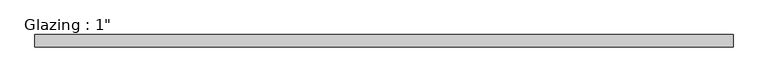
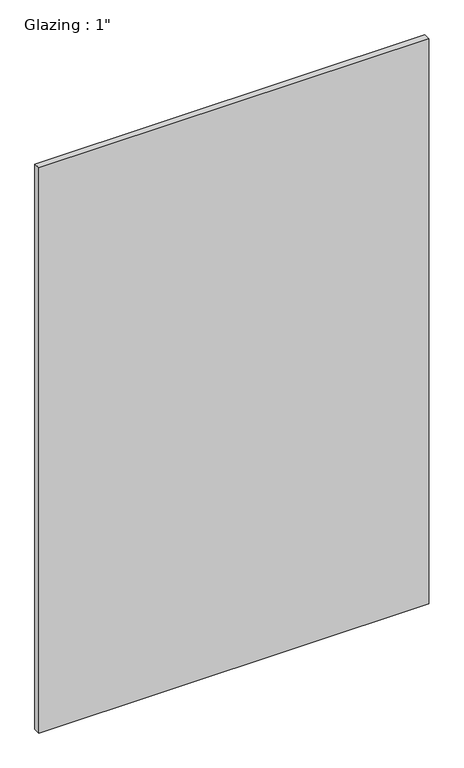
"""IFC4 building model written with IfcOpenShell, lengths in millimetres: plate geometry."""

from ifc_helpers import new_model, si_unit, origin, origin_with_axes, place, context, project, spatial, polyline, outline, extrude, source, transform, mapped, element, save


def plate_ecfb0703(model_context):
    return source(origin(), model_context, "Body", "SweptSolid", [
        extrude(outline(polyline([(710.5540109, -12.7), (-710.5540109, -12.7), (-710.5540109, 12.7), (710.5540109, 12.7), (710.5540109, -12.7)])), origin_with_axes(), (0.0, 0.0, 1.0), 2177.9425731),
    ])


if __name__ == "__main__":
    model = new_model("IFC4")
    model_context = context("Model", 3, world=origin())
    ifc_project = project(units=[si_unit("LENGTHUNIT", "METRE", prefix="MILLI")], contexts=[model_context])
    site = spatial("IfcSite", under=ifc_project)
    building = spatial("IfcBuilding", under=site)
    placement = place(None, origin())
    plate_shape = plate_ecfb0703(model_context)
    element("IfcPlate", 1, ObjectType="Glazing : 1\"", at=placement, inside=building, context=model_context, shape_type="MappedRepresentation", body=[
        mapped(plate_shape, transform((0.0, 0.0, 0.0), x_axis=(1.0, 0.0, 0.0), y_axis=(0.0, 1.0, 0.0), z_axis=(0.0, 0.0, 1.0))),
    ])
    save(model, "model.ifc")
